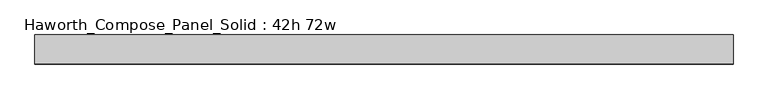
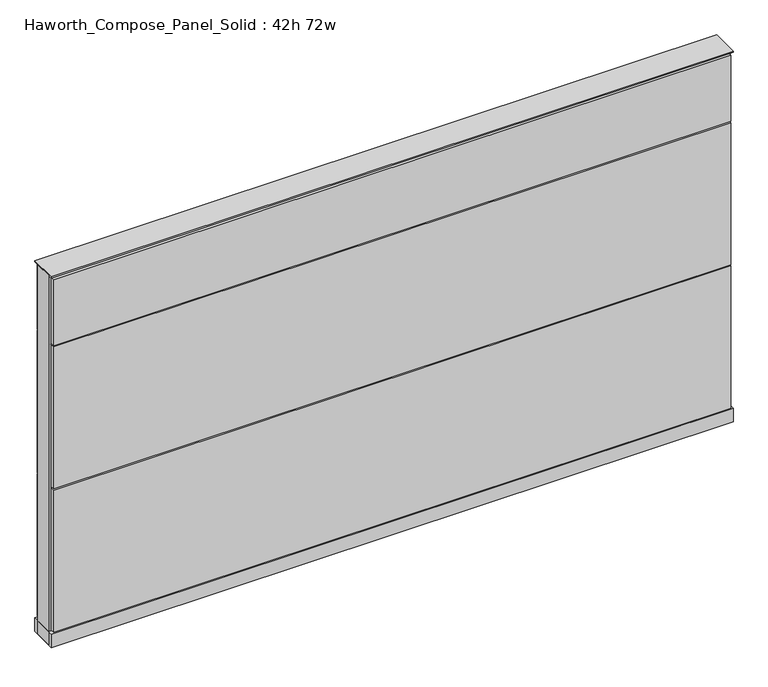
"""IFC4 building model written with IfcOpenShell, lengths in millimetres: furniture geometry, Haworth_Compose_Panel_Solid : 42h 72w."""

from ifc_helpers import new_model, si_unit, point, frame, frame_2d, origin, origin_with_axes, place, context, project, spatial, polyline, circle_curve, trimmed, segment, composite_curve, outline, extrude, source, transform, mapped, element, save


def haworth_compose_panel_solid_42h_72w_1af1d1bb(model_context):
    return source(origin(), model_context, "Body", "SweptSolid", [
        extrude(outline(composite_curve([segment(trimmed(circle_curve(frame_2d((-835.7597098, 0.0)), 12.7), [point((-848.4597098, 0.0))], [point((-823.0597098, 0.0))], False, "CARTESIAN"), True, "CONTINUOUS"), segment(trimmed(circle_curve(frame_2d((-835.7597098, 0.0)), 12.7), [point((-823.0597098, 0.0))], [point((-848.4597098, 0.0))], False, "CARTESIAN"), True, "CONTINUOUS")], self_intersect=False)), origin_with_axes(), (0.0, 0.0, 1.0), 12.7),
        extrude(outline(composite_curve([segment(trimmed(circle_curve(frame_2d((840.6402902, 0.0)), 12.7), [point((827.9402902, 0.0))], [point((853.3402902, 0.0))], False, "CARTESIAN"), True, "CONTINUOUS"), segment(trimmed(circle_curve(frame_2d((840.6402902, 0.0)), 12.7), [point((853.3402902, 0.0))], [point((827.9402902, 0.0))], False, "CARTESIAN"), True, "CONTINUOUS")], self_intersect=False)), origin_with_axes(), (0.0, 0.0, 1.0), 12.7),
        extrude(outline(polyline([(910.4902902, 38.1), (910.4902902, 25.4), (-905.6097098, 25.4), (-905.6097098, 38.1), (910.4902902, 38.1)])), frame((0.0, 0.0, 866.775), z_axis=(0.0, 0.0, 1.0), x_axis=(1.0, 0.0, 0.0)), (0.0, 0.0, 1.0), 187.325),
        extrude(outline(polyline([(910.4902902, 38.1), (910.4902902, 25.4), (-905.6097098, 25.4), (-905.6097098, 38.1), (910.4902902, 38.1)])), frame((0.0, 0.0, 460.375), z_axis=(0.0, 0.0, 1.0), x_axis=(1.0, 0.0, 0.0)), (0.0, 0.0, 1.0), 403.225),
        extrude(outline(polyline([(910.4902902, 38.1), (910.4902902, 25.4), (-905.6097098, 25.4), (-905.6097098, 38.1), (910.4902902, 38.1)])), frame((0.0, 0.0, 53.975), z_axis=(0.0, 0.0, 1.0), x_axis=(1.0, 0.0, 0.0)), (0.0, 0.0, 1.0), 403.225),
        extrude(outline(polyline([(910.4902902, -38.1), (-905.6097098, -38.1), (-905.6097098, -25.4), (910.4902902, -25.4), (910.4902902, -38.1)])), frame((0.0, 0.0, 866.775), z_axis=(0.0, 0.0, 1.0), x_axis=(1.0, 0.0, 0.0)), (0.0, 0.0, 1.0), 187.325),
        extrude(outline(polyline([(910.4902902, -38.1), (-905.6097098, -38.1), (-905.6097098, -25.4), (910.4902902, -25.4), (910.4902902, -38.1)])), frame((0.0, 0.0, 460.375), z_axis=(0.0, 0.0, 1.0), x_axis=(1.0, 0.0, 0.0)), (0.0, 0.0, 1.0), 403.225),
        extrude(outline(polyline([(910.4902902, -38.1), (-905.6097098, -38.1), (-905.6097098, -25.4), (910.4902902, -25.4), (910.4902902, -38.1)])), frame((0.0, 0.0, 53.975), z_axis=(0.0, 0.0, 1.0), x_axis=(1.0, 0.0, 0.0)), (0.0, 0.0, 1.0), 403.225),
        extrude(outline(polyline([(916.8402902, 25.4), (916.8402902, -25.4), (-911.9597098, -25.4), (-911.9597098, 25.4), (916.8402902, 25.4)])), frame((0.0, 0.0, 12.7), z_axis=(0.0, 0.0, 1.0), x_axis=(1.0, 0.0, 0.0)), (0.0, 0.0, 1.0), 1047.75),
        extrude(outline(polyline([(-911.9597098, -38.1), (-911.9597098, 38.1), (916.8402902, 38.1), (916.8402902, -38.1), (-911.9597098, -38.1)])), frame((0.0, 0.0, 12.7), z_axis=(0.0, 0.0, 1.0), x_axis=(1.0, 0.0, 0.0)), (0.0, 0.0, 1.0), 38.1),
        extrude(outline(polyline([(-911.9597098, -38.1), (-911.9597098, 38.1), (916.8402902, 38.1), (916.8402902, -38.1), (-911.9597098, -38.1)])), frame((0.0, 0.0, 1060.45), z_axis=(0.0, 0.0, 1.0), x_axis=(1.0, 0.0, 0.0)), (0.0, 0.0, 1.0), 3.175),
    ])


if __name__ == "__main__":
    model = new_model("IFC4")
    model_context = context("Model", 3, world=origin())
    ifc_project = project(units=[si_unit("LENGTHUNIT", "METRE", prefix="MILLI")], contexts=[model_context])
    site = spatial("IfcSite", under=ifc_project)
    building = spatial("IfcBuilding", under=site)
    placement = place(None, origin())
    haworth_compose_panel_solid_42h_72w_shape = haworth_compose_panel_solid_42h_72w_1af1d1bb(model_context)
    element("IfcFurniture", 1, ObjectType="Haworth_Compose_Panel_Solid : 42h 72w", at=placement, inside=building, context=model_context, shape_type="MappedRepresentation", body=[
        mapped(haworth_compose_panel_solid_42h_72w_shape, transform((0.0, 0.0, 0.0), x_axis=(1.0, 0.0, 0.0), y_axis=(0.0, 1.0, 0.0), z_axis=(0.0, 0.0, 1.0))),
    ])
    save(model, "model.ifc")
